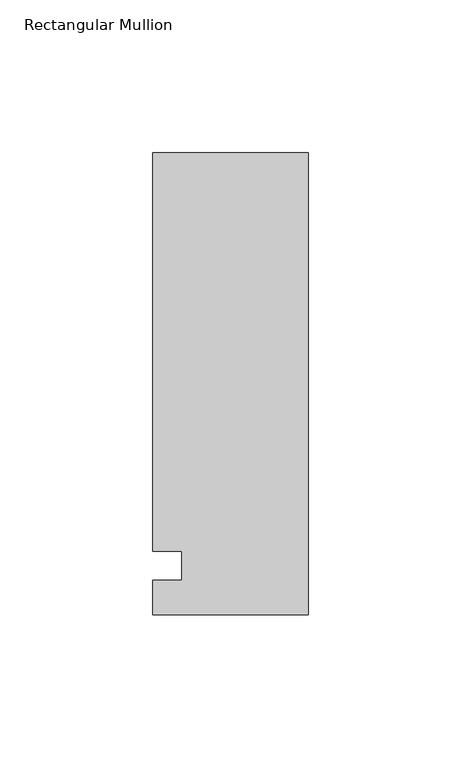
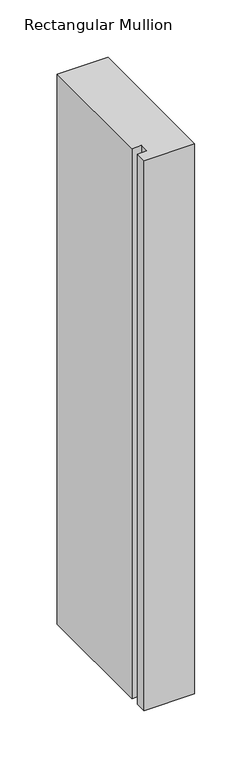
"""IFC4 building model written with IfcOpenShell, lengths in millimetres: member geometry, Rectangular Mullion."""

import ifcopenshell
import ifcopenshell.guid

model = None  # the IFC model being written
_history = None  # IfcOwnerHistory: only IFC2X3 demands one
_inside = {}  # id of a spatial element -> (the spatial element, [elements in it])
_under = {}  # id of a project, library or spatial element -> (it, [spatial elements below it])
_declared = {}  # id of a project -> (the project, [libraries it declares])
_typed = {}  # id of a type object -> (the type object, [elements of that type])
_made_of = {}  # id of a material, layer set ... -> (it, [elements and type objects made of it])


def new_model(schema):
    """Start an empty IFC model of exactly this schema.

    Asked for "IFC4X3", IfcOpenShell would pick the latest addendum, in which some entities
    have other attributes; the version numbers below select the first issue.
    IFC2X3 requires an IfcOwnerHistory on every rooted entity: one is made here for all.
    """
    global model, _history
    if schema == "IFC4X3":
        model = ifcopenshell.file(schema_version=(4, 3, 0, 0))
    else:
        model = ifcopenshell.file(schema=schema)
    _inside.clear()
    _under.clear()
    _declared.clear()
    _typed.clear()
    _made_of.clear()
    _history = None
    if model.schema == "IFC2X3":
        org = make("IfcOrganization", Name="unknown")
        user = make(
            "IfcPersonAndOrganization",
            ThePerson=make("IfcPerson", FamilyName="unknown"),
            TheOrganization=org,
        )
        app = make(
            "IfcApplication",
            ApplicationDeveloper=org,
            Version="unknown",
            ApplicationFullName="unknown",
            ApplicationIdentifier="unknown",
        )
        _history = make(
            "IfcOwnerHistory",
            OwningUser=user,
            OwningApplication=app,
            ChangeAction="ADDED",
            CreationDate=0,
        )
    return model


def make(cls, **values):
    """One entity of the class cls with the attributes given. An attribute that is None is left unset."""
    return model.create_entity(
        cls, **{name: value for name, value in values.items() if value is not None}
    )


def rooted(cls, **values):
    """An entity with a GlobalId (a new one), such as an element, a storey or a relation."""
    return make(cls, GlobalId=ifcopenshell.guid.new(), OwnerHistory=_history, **values)


def si_unit(unit_type, name, prefix=None):
    """IfcSIUnit, for example si_unit("LENGTHUNIT", "METRE", prefix="MILLI")."""
    return make("IfcSIUnit", UnitType=unit_type, Prefix=prefix, Name=name)


def assignment(units):
    """IfcUnitAssignment: the units of a project."""
    return None if units is None else make("IfcUnitAssignment", Units=units)


def point(xyz):
    """IfcCartesianPoint."""
    return None if xyz is None else make("IfcCartesianPoint", Coordinates=xyz)


def direction(xyz):
    """IfcDirection."""
    return None if xyz is None else make("IfcDirection", DirectionRatios=xyz)


def frame(location, z_axis=None, x_axis=None):
    """IfcAxis2Placement3D, a coordinate frame: its origin and axes. An axis left out is left unset."""
    return make(
        "IfcAxis2Placement3D",
        Location=point(location),
        Axis=direction(z_axis),
        RefDirection=direction(x_axis),
    )


def origin():
    """The frame at (0, 0, 0) with its axes left unset."""
    return frame((0.0, 0.0, 0.0))


def place(relative_to, where):
    """IfcLocalPlacement: puts the frame where relative to a parent placement (None: the world)."""
    return make(
        "IfcLocalPlacement", PlacementRelTo=relative_to, RelativePlacement=where
    )


def context(
    kind, dimensions, precision=None, world=None, true_north=None, identifier=None
):
    """IfcGeometricRepresentationContext, for example the 3D "Model" context."""
    return make(
        "IfcGeometricRepresentationContext",
        ContextIdentifier=identifier,
        ContextType=kind,
        CoordinateSpaceDimension=dimensions,
        Precision=precision,
        WorldCoordinateSystem=world,
        TrueNorth=true_north,
    )


def project(units=None, contexts=None):
    """IfcProject with its units and contexts."""
    return rooted(
        "IfcProject",
        Name="project",
        RepresentationContexts=contexts,
        UnitsInContext=assignment(units),
    )


def spatial(cls, under=None, at=None, **own):
    """A site, building, storey or space (cls), placed at a placement, below another one or the project."""
    s = rooted(cls, ObjectPlacement=at, **own)
    if under is not None:
        _under.setdefault(under.id(), (under, []))[1].append(s)
    return s


def polyline(points):
    """IfcPolyline through the points."""
    return make("IfcPolyline", Points=[point(p) for p in points])


def outline(outer, holes=None, kind="AREA"):
    """IfcArbitraryClosedProfileDef: a profile drawn as a closed curve; with holes, ...WithVoids."""
    if holes is None:
        return make("IfcArbitraryClosedProfileDef", ProfileType=kind, OuterCurve=outer)
    return make(
        "IfcArbitraryProfileDefWithVoids",
        ProfileType=kind,
        OuterCurve=outer,
        InnerCurves=holes,
    )


def extrude(swept, where, along, depth):
    """IfcExtrudedAreaSolid: the profile swept, set in the frame where, extruded along a direction by depth."""
    return make(
        "IfcExtrudedAreaSolid",
        SweptArea=swept,
        Position=where,
        ExtrudedDirection=direction(along),
        Depth=depth,
    )


def shape(context_of_items, identifier, shape_type, items):
    """IfcShapeRepresentation: the items that make up one representation, for example the "Body"."""
    return make(
        "IfcShapeRepresentation",
        ContextOfItems=context_of_items,
        RepresentationIdentifier=identifier,
        RepresentationType=shape_type,
        Items=items,
    )


def source(mapping_origin, context_of_items, identifier, shape_type, items):
    """IfcRepresentationMap: a shape defined once, which mapped items show again and again."""
    return make(
        "IfcRepresentationMap",
        MappingOrigin=mapping_origin,
        MappedRepresentation=shape(context_of_items, identifier, shape_type, items),
    )


def transform(
    local_origin,
    x_axis=None,
    y_axis=None,
    z_axis=None,
    scale=None,
    scale2=None,
    scale3=None,
    uniform=True,
):
    """IfcCartesianTransformationOperator3D, or its non-uniform kind. x_axis, y_axis, z_axis: its Axis1, 2, 3."""
    if uniform:
        return make(
            "IfcCartesianTransformationOperator3D",
            Axis1=direction(x_axis),
            Axis2=direction(y_axis),
            LocalOrigin=point(local_origin),
            Scale=scale,
            Axis3=direction(z_axis),
        )
    return make(
        "IfcCartesianTransformationOperator3DnonUniform",
        Axis1=direction(x_axis),
        Axis2=direction(y_axis),
        LocalOrigin=point(local_origin),
        Scale=scale,
        Axis3=direction(z_axis),
        Scale2=scale2,
        Scale3=scale3,
    )


def mapped(mapping_source, mapping_target):
    """IfcMappedItem: shows the shape of a source again, moved by a transform."""
    return make(
        "IfcMappedItem", MappingSource=mapping_source, MappingTarget=mapping_target
    )


def made_of(thing, what):
    """Note that an element or type object is made of a material, layer set ...; save() writes the relation."""
    if what is not None:
        _made_of.setdefault(what.id(), (what, []))[1].append(thing)
    return thing


def element(
    cls,
    number,
    at=None,
    inside=None,
    cuts=None,
    type_object=None,
    material=None,
    context=None,
    identifier="Body",
    shape_type=None,
    held_by="IfcProductDefinitionShape",
    body=None,
    shapes=None,
    **own,
):
    """One element of the class cls, such as IfcWall. Its Tag is "e" and its number.

    at: its placement. inside: the storey or other place that contains it. cuts: it is an
    opening in that element (IfcRelVoidsElement). A single representation is given by context,
    identifier, shape_type and body (its items); several are given by shapes. held_by: the class
    of the entity that holds the representations. save() writes the other relations.
    """
    e = rooted(cls, Tag="e%d" % number, ObjectPlacement=at, **own)
    if body is not None:
        shapes = [shape(context, identifier, shape_type, body)]
    if shapes is not None:
        e.Representation = make(held_by, Representations=shapes)
    if inside is not None:
        _inside.setdefault(inside.id(), (inside, []))[1].append(e)
    if cuts is not None:
        rooted(
            "IfcRelVoidsElement", RelatingBuildingElement=cuts, RelatedOpeningElement=e
        )
    if type_object is not None:
        _typed.setdefault(type_object.id(), (type_object, []))[1].append(e)
    return made_of(e, material)


def aggregate(whole, parts):
    """IfcRelAggregates: a whole, such as a stair, and the parts it consists of."""
    return rooted("IfcRelAggregates", RelatingObject=whole, RelatedObjects=parts)


def save(model, path):
    """Write the relations noted so far, then the file.

    IfcRelAggregates (storeys below a building ...), IfcRelContainedInSpatialStructure (elements
    in a storey), IfcRelDefinesByType, IfcRelAssociatesMaterial and IfcRelDeclares: one each for
    every whole, place, type object, material and project.
    """
    for whole, parts in _under.values():
        aggregate(whole, parts)
    for where, things in _inside.values():
        rooted(
            "IfcRelContainedInSpatialStructure",
            RelatedElements=things,
            RelatingStructure=where,
        )
    for kind, things in _typed.values():
        rooted("IfcRelDefinesByType", RelatedObjects=things, RelatingType=kind)
    for what, things in _made_of.values():
        rooted("IfcRelAssociatesMaterial", RelatedObjects=things, RelatingMaterial=what)
    for by, libraries in _declared.values():
        rooted("IfcRelDeclares", RelatingContext=by, RelatedDefinitions=libraries)
    model.write(path)


def rectangular_mullion_58f13c67(model_context):
    return source(origin(), model_context, "Body", "SweptSolid", [
        extrude(outline(polyline([(-50.8, -25.5984375), (-50.8, -14.2875), (-41.275, -14.2875), (-41.275, -4.7625), (-50.8, -4.7625), (-50.8, 125.6109375), (0.0, 125.6109375), (0.0, -25.5984375), (-50.8, -25.5984375)])), frame((0.0, 0.0, -584.2), z_axis=(0.0, 0.0, 1.0), x_axis=(1.0, 0.0, 0.0)), (0.0, 0.0, 1.0), 584.2),
    ])


if __name__ == "__main__":
    model = new_model("IFC4")
    model_context = context("Model", 3, world=origin())
    ifc_project = project(units=[si_unit("LENGTHUNIT", "METRE", prefix="MILLI")], contexts=[model_context])
    site = spatial("IfcSite", under=ifc_project)
    building = spatial("IfcBuilding", under=site)
    placement = place(None, origin())
    rectangular_mullion_shape = rectangular_mullion_58f13c67(model_context)
    element("IfcMember", 1, ObjectType="Rectangular Mullion", at=placement, inside=building, context=model_context, shape_type="MappedRepresentation", body=[
        mapped(rectangular_mullion_shape, transform((0.0, 0.0, 0.0), x_axis=(1.0, 0.0, 0.0), y_axis=(0.0, 1.0, 0.0), z_axis=(0.0, 0.0, 1.0))),
    ])
    save(model, "model.ifc")
